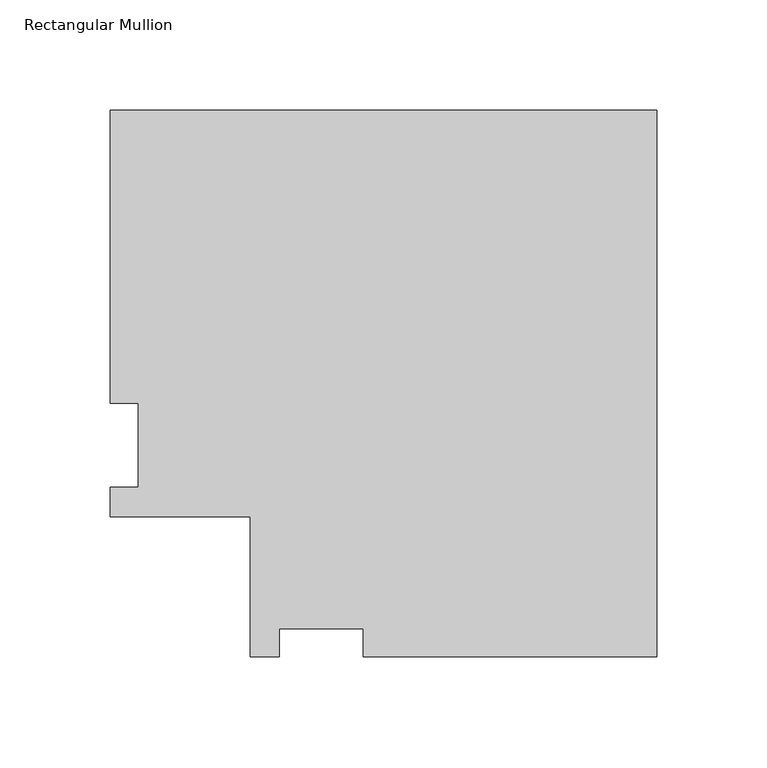
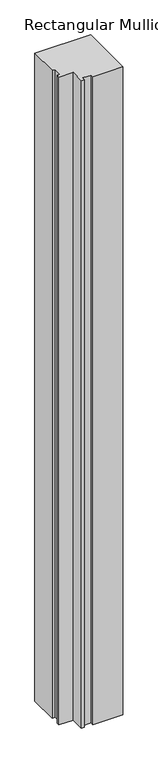
"""IFC4 building model written with IfcOpenShell, lengths in millimetres: member geometry, Rectangular Mullion."""

import ifcopenshell
import ifcopenshell.guid

model = None  # the IFC model being written
_history = None  # IfcOwnerHistory: only IFC2X3 demands one
_inside = {}  # id of a spatial element -> (the spatial element, [elements in it])
_under = {}  # id of a project, library or spatial element -> (it, [spatial elements below it])
_declared = {}  # id of a project -> (the project, [libraries it declares])
_typed = {}  # id of a type object -> (the type object, [elements of that type])
_made_of = {}  # id of a material, layer set ... -> (it, [elements and type objects made of it])


def new_model(schema):
    """Start an empty IFC model of exactly this schema.

    Asked for "IFC4X3", IfcOpenShell would pick the latest addendum, in which some entities
    have other attributes; the version numbers below select the first issue.
    IFC2X3 requires an IfcOwnerHistory on every rooted entity: one is made here for all.
    """
    global model, _history
    if schema == "IFC4X3":
        model = ifcopenshell.file(schema_version=(4, 3, 0, 0))
    else:
        model = ifcopenshell.file(schema=schema)
    _inside.clear()
    _under.clear()
    _declared.clear()
    _typed.clear()
    _made_of.clear()
    _history = None
    if model.schema == "IFC2X3":
        org = make("IfcOrganization", Name="unknown")
        user = make(
            "IfcPersonAndOrganization",
            ThePerson=make("IfcPerson", FamilyName="unknown"),
            TheOrganization=org,
        )
        app = make(
            "IfcApplication",
            ApplicationDeveloper=org,
            Version="unknown",
            ApplicationFullName="unknown",
            ApplicationIdentifier="unknown",
        )
        _history = make(
            "IfcOwnerHistory",
            OwningUser=user,
            OwningApplication=app,
            ChangeAction="ADDED",
            CreationDate=0,
        )
    return model


def make(cls, **values):
    """One entity of the class cls with the attributes given. An attribute that is None is left unset."""
    return model.create_entity(
        cls, **{name: value for name, value in values.items() if value is not None}
    )


def rooted(cls, **values):
    """An entity with a GlobalId (a new one), such as an element, a storey or a relation."""
    return make(cls, GlobalId=ifcopenshell.guid.new(), OwnerHistory=_history, **values)


def si_unit(unit_type, name, prefix=None):
    """IfcSIUnit, for example si_unit("LENGTHUNIT", "METRE", prefix="MILLI")."""
    return make("IfcSIUnit", UnitType=unit_type, Prefix=prefix, Name=name)


def assignment(units):
    """IfcUnitAssignment: the units of a project."""
    return None if units is None else make("IfcUnitAssignment", Units=units)


def point(xyz):
    """IfcCartesianPoint."""
    return None if xyz is None else make("IfcCartesianPoint", Coordinates=xyz)


def direction(xyz):
    """IfcDirection."""
    return None if xyz is None else make("IfcDirection", DirectionRatios=xyz)


def frame(location, z_axis=None, x_axis=None):
    """IfcAxis2Placement3D, a coordinate frame: its origin and axes. An axis left out is left unset."""
    return make(
        "IfcAxis2Placement3D",
        Location=point(location),
        Axis=direction(z_axis),
        RefDirection=direction(x_axis),
    )


def origin():
    """The frame at (0, 0, 0) with its axes left unset."""
    return frame((0.0, 0.0, 0.0))


def place(relative_to, where):
    """IfcLocalPlacement: puts the frame where relative to a parent placement (None: the world)."""
    return make(
        "IfcLocalPlacement", PlacementRelTo=relative_to, RelativePlacement=where
    )


def context(
    kind, dimensions, precision=None, world=None, true_north=None, identifier=None
):
    """IfcGeometricRepresentationContext, for example the 3D "Model" context."""
    return make(
        "IfcGeometricRepresentationContext",
        ContextIdentifier=identifier,
        ContextType=kind,
        CoordinateSpaceDimension=dimensions,
        Precision=precision,
        WorldCoordinateSystem=world,
        TrueNorth=true_north,
    )


def project(units=None, contexts=None):
    """IfcProject with its units and contexts."""
    return rooted(
        "IfcProject",
        Name="project",
        RepresentationContexts=contexts,
        UnitsInContext=assignment(units),
    )


def spatial(cls, under=None, at=None, **own):
    """A site, building, storey or space (cls), placed at a placement, below another one or the project."""
    s = rooted(cls, ObjectPlacement=at, **own)
    if under is not None:
        _under.setdefault(under.id(), (under, []))[1].append(s)
    return s


def polyline(points):
    """IfcPolyline through the points."""
    return make("IfcPolyline", Points=[point(p) for p in points])


def outline(outer, holes=None, kind="AREA"):
    """IfcArbitraryClosedProfileDef: a profile drawn as a closed curve; with holes, ...WithVoids."""
    if holes is None:
        return make("IfcArbitraryClosedProfileDef", ProfileType=kind, OuterCurve=outer)
    return make(
        "IfcArbitraryProfileDefWithVoids",
        ProfileType=kind,
        OuterCurve=outer,
        InnerCurves=holes,
    )


def extrude(swept, where, along, depth):
    """IfcExtrudedAreaSolid: the profile swept, set in the frame where, extruded along a direction by depth."""
    return make(
        "IfcExtrudedAreaSolid",
        SweptArea=swept,
        Position=where,
        ExtrudedDirection=direction(along),
        Depth=depth,
    )


def shape(context_of_items, identifier, shape_type, items):
    """IfcShapeRepresentation: the items that make up one representation, for example the "Body"."""
    return make(
        "IfcShapeRepresentation",
        ContextOfItems=context_of_items,
        RepresentationIdentifier=identifier,
        RepresentationType=shape_type,
        Items=items,
    )


def source(mapping_origin, context_of_items, identifier, shape_type, items):
    """IfcRepresentationMap: a shape defined once, which mapped items show again and again."""
    return make(
        "IfcRepresentationMap",
        MappingOrigin=mapping_origin,
        MappedRepresentation=shape(context_of_items, identifier, shape_type, items),
    )


def transform(
    local_origin,
    x_axis=None,
    y_axis=None,
    z_axis=None,
    scale=None,
    scale2=None,
    scale3=None,
    uniform=True,
):
    """IfcCartesianTransformationOperator3D, or its non-uniform kind. x_axis, y_axis, z_axis: its Axis1, 2, 3."""
    if uniform:
        return make(
            "IfcCartesianTransformationOperator3D",
            Axis1=direction(x_axis),
            Axis2=direction(y_axis),
            LocalOrigin=point(local_origin),
            Scale=scale,
            Axis3=direction(z_axis),
        )
    return make(
        "IfcCartesianTransformationOperator3DnonUniform",
        Axis1=direction(x_axis),
        Axis2=direction(y_axis),
        LocalOrigin=point(local_origin),
        Scale=scale,
        Axis3=direction(z_axis),
        Scale2=scale2,
        Scale3=scale3,
    )


def mapped(mapping_source, mapping_target):
    """IfcMappedItem: shows the shape of a source again, moved by a transform."""
    return make(
        "IfcMappedItem", MappingSource=mapping_source, MappingTarget=mapping_target
    )


def made_of(thing, what):
    """Note that an element or type object is made of a material, layer set ...; save() writes the relation."""
    if what is not None:
        _made_of.setdefault(what.id(), (what, []))[1].append(thing)
    return thing


def element(
    cls,
    number,
    at=None,
    inside=None,
    cuts=None,
    type_object=None,
    material=None,
    context=None,
    identifier="Body",
    shape_type=None,
    held_by="IfcProductDefinitionShape",
    body=None,
    shapes=None,
    **own,
):
    """One element of the class cls, such as IfcWall. Its Tag is "e" and its number.

    at: its placement. inside: the storey or other place that contains it. cuts: it is an
    opening in that element (IfcRelVoidsElement). A single representation is given by context,
    identifier, shape_type and body (its items); several are given by shapes. held_by: the class
    of the entity that holds the representations. save() writes the other relations.
    """
    e = rooted(cls, Tag="e%d" % number, ObjectPlacement=at, **own)
    if body is not None:
        shapes = [shape(context, identifier, shape_type, body)]
    if shapes is not None:
        e.Representation = make(held_by, Representations=shapes)
    if inside is not None:
        _inside.setdefault(inside.id(), (inside, []))[1].append(e)
    if cuts is not None:
        rooted(
            "IfcRelVoidsElement", RelatingBuildingElement=cuts, RelatedOpeningElement=e
        )
    if type_object is not None:
        _typed.setdefault(type_object.id(), (type_object, []))[1].append(e)
    return made_of(e, material)


def aggregate(whole, parts):
    """IfcRelAggregates: a whole, such as a stair, and the parts it consists of."""
    return rooted("IfcRelAggregates", RelatingObject=whole, RelatedObjects=parts)


def save(model, path):
    """Write the relations noted so far, then the file.

    IfcRelAggregates (storeys below a building ...), IfcRelContainedInSpatialStructure (elements
    in a storey), IfcRelDefinesByType, IfcRelAssociatesMaterial and IfcRelDeclares: one each for
    every whole, place, type object, material and project.
    """
    for whole, parts in _under.values():
        aggregate(whole, parts)
    for where, things in _inside.values():
        rooted(
            "IfcRelContainedInSpatialStructure",
            RelatedElements=things,
            RelatingStructure=where,
        )
    for kind, things in _typed.values():
        rooted("IfcRelDefinesByType", RelatedObjects=things, RelatingType=kind)
    for what, things in _made_of.values():
        rooted("IfcRelAssociatesMaterial", RelatedObjects=things, RelatingMaterial=what)
    for by, libraries in _declared.values():
        rooted("IfcRelDeclares", RelatingContext=by, RelatedDefinitions=libraries)
    model.write(path)


def rectangular_mullion_67765277(model_context):
    return source(origin(), model_context, "Body", "SweptSolid", [
        extrude(outline(polyline([(0.0, 184.2396938), (0.0, -63.4865063), (-132.9527182, -63.4865063), (-132.9527182, -50.7865063), (-171.0527182, -50.7865063), (-171.0527182, -63.4865062), (-184.2353182, -63.4865062), (-184.2353182, 0.0134937), (-247.7353182, 0.0134937), (-247.7353182, 13.1960938), (-235.0353182, 13.1960938), (-235.0353182, 51.2960937), (-247.7353182, 51.2960937), (-247.7353182, 184.2396938), (0.0, 184.2396938)])), frame((0.0, 0.0, -3048.0), z_axis=(0.0, 0.0, 1.0), x_axis=(1.0, 0.0, 0.0)), (0.0, 0.0, 1.0), 3048.0),
    ])


if __name__ == "__main__":
    model = new_model("IFC4")
    model_context = context("Model", 3, world=origin())
    ifc_project = project(units=[si_unit("LENGTHUNIT", "METRE", prefix="MILLI")], contexts=[model_context])
    site = spatial("IfcSite", under=ifc_project)
    building = spatial("IfcBuilding", under=site)
    placement = place(None, origin())
    rectangular_mullion_shape = rectangular_mullion_67765277(model_context)
    element("IfcMember", 1, ObjectType="Rectangular Mullion", at=placement, inside=building, context=model_context, shape_type="MappedRepresentation", body=[
        mapped(rectangular_mullion_shape, transform((0.0, 0.0, 0.0), x_axis=(1.0, 0.0, 0.0), y_axis=(0.0, 1.0, 0.0), z_axis=(0.0, 0.0, 1.0))),
    ])
    save(model, "model.ifc")
